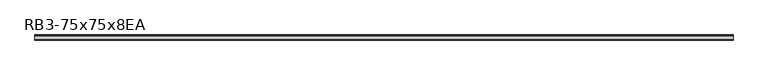
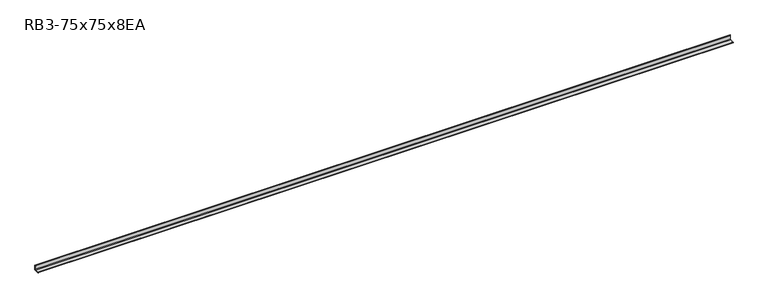
"""IFC4 building model written with IfcOpenShell, lengths in millimetres: member geometry, RB3-75x75x8EA."""

from ifc_helpers import new_model, si_unit, point, frame, frame_2d, origin, place, context, project, spatial, polyline, circle_curve, trimmed, segment, composite_curve, outline, extrude, source, transform, mapped, element, save


def rb3_75x75x8ea_4cac8b52(model_context):
    return source(origin(), model_context, "Body", "SweptSolid", [
        extrude(outline(composite_curve([segment(polyline([(21.3, -21.3), (-53.7, -21.3), (-53.7, -18.3)]), True, "CONTINUOUS"), segment(trimmed(circle_curve(frame_2d((-48.7, -18.3)), 5.0), [point((-53.7, -18.3))], [point((-48.7, -13.3))], False, "CARTESIAN"), True, "CONTINUOUS"), segment(polyline([(-48.7, -13.3), (5.3, -13.3)]), True, "CONTINUOUS"), segment(trimmed(circle_curve(frame_2d((5.3, -5.3)), 8.0), [point((5.3, -13.3))], [point((13.3, -5.3))], True, "CARTESIAN"), True, "CONTINUOUS"), segment(polyline([(13.3, -5.3), (13.3, 48.7)]), True, "CONTINUOUS"), segment(trimmed(circle_curve(frame_2d((18.3, 48.7)), 5.0), [point((13.3, 48.7))], [point((18.3, 53.7))], False, "CARTESIAN"), True, "CONTINUOUS"), segment(polyline([(18.3, 53.7), (21.3, 53.7), (21.3, -21.3)]), True, "CONTINUOUS")], self_intersect=False)), frame((-5083.5, 0.0, 0.0), z_axis=(1.0, 0.0, 0.0), x_axis=(0.0, 1.0, 0.0)), (0.0, 0.0, 1.0), 10144.0),
    ])


if __name__ == "__main__":
    model = new_model("IFC4")
    model_context = context("Model", 3, world=origin())
    ifc_project = project(units=[si_unit("LENGTHUNIT", "METRE", prefix="MILLI")], contexts=[model_context])
    site = spatial("IfcSite", under=ifc_project)
    building = spatial("IfcBuilding", under=site)
    placement = place(None, origin())
    rb3_75x75x8ea_shape = rb3_75x75x8ea_4cac8b52(model_context)
    element("IfcMember", 1, ObjectType="RB3-75x75x8EA", at=placement, inside=building, context=model_context, shape_type="MappedRepresentation", body=[
        mapped(rb3_75x75x8ea_shape, transform((0.0, 0.0, 0.0), x_axis=(1.0, 0.0, 0.0), y_axis=(0.0, 1.0, 0.0), z_axis=(0.0, 0.0, 1.0))),
    ])
    save(model, "model.ifc")
